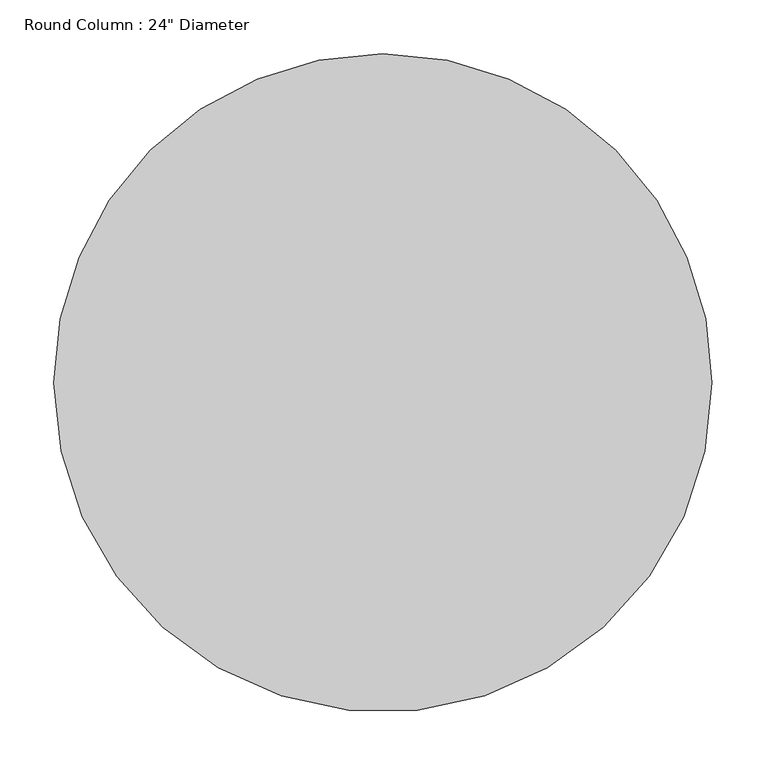
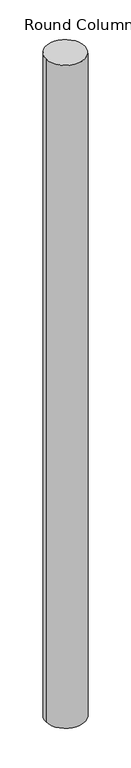
"""IFC4 building model written with IfcOpenShell, lengths in millimetres: column geometry."""

from ifc_helpers import new_model, si_unit, point, frame, origin, origin_2d, place, context, project, spatial, circle_curve, trimmed, segment, composite_curve, outline, extrude, source, transform, mapped, element, save


def column_5002fc8c(model_context):
    return source(origin(), model_context, "Body", "SweptSolid", [
        extrude(outline(composite_curve([segment(trimmed(circle_curve(origin_2d(), 304.8), [point((304.8, 0.0))], [point((-304.8, 0.0))], False, "CARTESIAN"), True, "CONTINUOUS"), segment(trimmed(circle_curve(origin_2d(), 304.8), [point((-304.8, 0.0))], [point((0.0, 304.8))], False, "CARTESIAN"), True, "CONTINUOUS"), segment(trimmed(circle_curve(origin_2d(), 304.8), [point((0.0, 304.8))], [point((304.8, 0.0))], False, "CARTESIAN"), True, "CONTINUOUS")], self_intersect=False)), frame((0.0, 0.0, 14630.4), z_axis=(0.0, 0.0, 1.0), x_axis=(1.0, 0.0, 0.0)), (0.0, 0.0, 1.0), 10972.8),
    ])


if __name__ == "__main__":
    model = new_model("IFC4")
    model_context = context("Model", 3, world=origin())
    ifc_project = project(units=[si_unit("LENGTHUNIT", "METRE", prefix="MILLI")], contexts=[model_context])
    site = spatial("IfcSite", under=ifc_project)
    building = spatial("IfcBuilding", under=site)
    placement = place(None, origin())
    column_shape = column_5002fc8c(model_context)
    element("IfcColumn", 1, ObjectType="Round Column : 24\" Diameter", at=placement, inside=building, context=model_context, shape_type="MappedRepresentation", body=[
        mapped(column_shape, transform((0.0, 0.0, 0.0), x_axis=(1.0, 0.0, 0.0), y_axis=(0.0, 1.0, 0.0), z_axis=(0.0, 0.0, 1.0))),
    ])
    save(model, "model.ifc")
